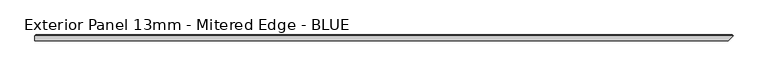
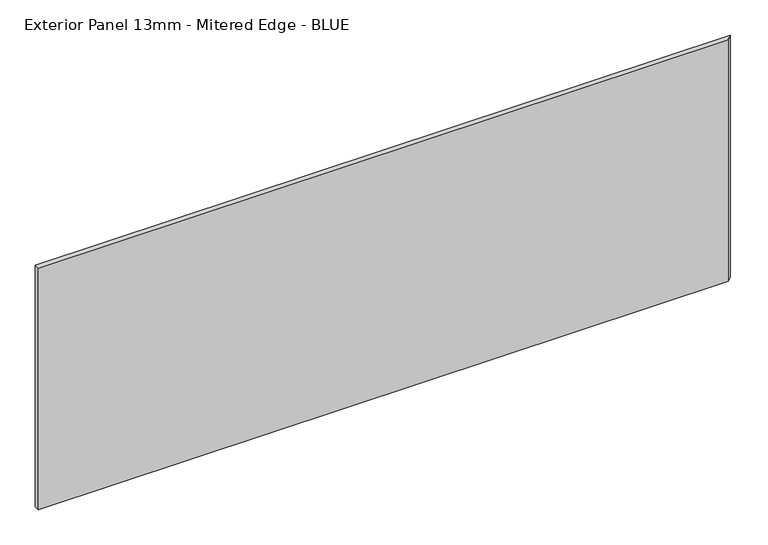
"""IFC4 building model written with IfcOpenShell, lengths in millimetres: proxy geometry, Exterior Panel 13mm - Mitered Edge - BLUE."""

from ifc_helpers import new_model, si_unit, origin, place, context, project, spatial, faceted_brep, source, transform, mapped, element, save


def exterior_panel_13mm_mitered_edge_blue_f1c6d60e(model_context):
    return source(origin(), model_context, "Body", "Brep", [
        faceted_brep([(1087.4375, -6.35, 571.5), (1098.55, 4.7625, 571.5), (-457.2, 4.7625, 571.5), (-457.2, -6.35, 571.5), (1087.4375, -6.35, 0.0), (-457.2, -6.35, 0.0), (-457.2, 4.7625, 0.0), (1098.55, 4.7625, 0.0), (-455.6125, 6.35, 569.9125), (1096.9625, 6.35, 569.9125), (1096.9625, 6.35, 1.5875), (-455.6125, 6.35, 1.5875)], [[[0, 1, 2, 3]], [[4, 5, 6, 7]], [[3, 5, 4, 0]], [[2, 6, 5, 3]], [[8, 9, 10, 11]], [[2, 8, 11, 6]], [[7, 10, 9, 1]], [[1, 9, 8, 2]], [[6, 11, 10, 7]], [[0, 4, 7, 1]]]),
    ])


if __name__ == "__main__":
    model = new_model("IFC4")
    model_context = context("Model", 3, world=origin())
    ifc_project = project(units=[si_unit("LENGTHUNIT", "METRE", prefix="MILLI")], contexts=[model_context])
    site = spatial("IfcSite", under=ifc_project)
    building = spatial("IfcBuilding", under=site)
    placement = place(None, origin())
    exterior_panel_13mm_mitered_edge_blue_shape = exterior_panel_13mm_mitered_edge_blue_f1c6d60e(model_context)
    element("IfcBuildingElementProxy", 1, Name="Exterior Panel 13mm - Mitered Edge - BLUE", ObjectType="Exterior Panel 13mm - Mitered Edge - BLUE", at=placement, inside=building, context=model_context, shape_type="MappedRepresentation", body=[
        mapped(exterior_panel_13mm_mitered_edge_blue_shape, transform((0.0, 0.0, 0.0), x_axis=(1.0, 0.0, 0.0), y_axis=(0.0, 1.0, 0.0), z_axis=(0.0, 0.0, 1.0))),
    ])
    save(model, "model.ifc")
